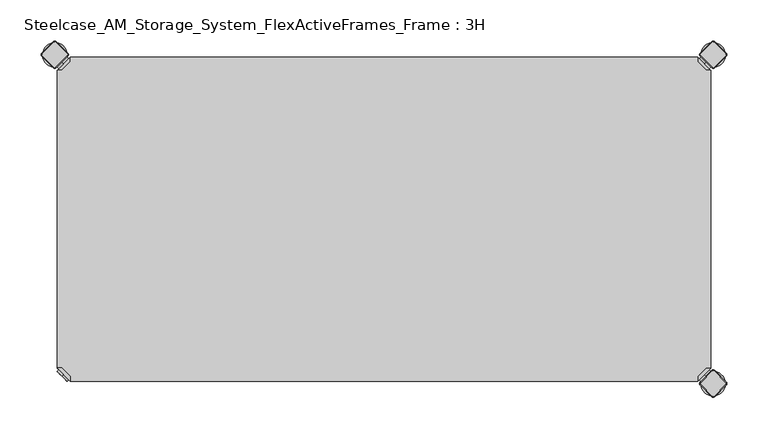
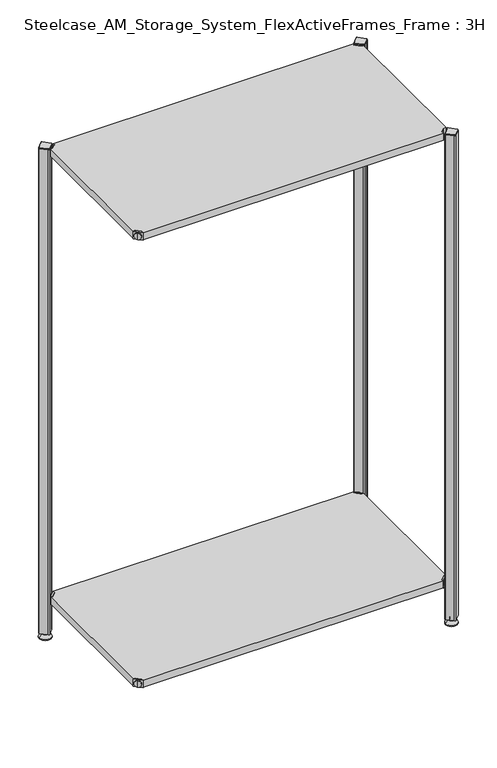
"""IFC4 building model written with IfcOpenShell, lengths in millimetres: furniture geometry, Steelcase_AM_Storage_System_FlexActiveFrames_Frame : 3H."""

from ifc_helpers import new_model, si_unit, point, frame, frame_2d, origin, place, context, project, spatial, polyline, circle_curve, trimmed, segment, composite_curve, outline, extrude, source, transform, mapped, element, save
from ifc_brep_helpers import plane_surface, cylinder_surface, revolved_surface, advanced_brep


def steelcase_am_storage_system_flexactiveframes_frame_3h_d4705bdc(model_context):
    return source(origin(), model_context, "Body", "SolidModel", [
        advanced_brep(
        [(10.9601551, 10.9601551, 1298.5), (10.9601551, 10.9601551, 1307.0), (10.9601551, 10.9601551, 1315.5), (8.8388348, 8.8388348, 1298.5), (8.8388348, 8.8388348, 1315.5), (8.8388348, 8.8388348, 1307.0)],
        [
            (0, 1),
            (1, 2),
            (2, 0, circle_curve(frame((10.9601551, 10.9601551, 1307.0), z_axis=(0.7071067811865464, 0.7071067811865487, 0.0), x_axis=(0.0, 0.0, 1.0)), 8.5)),
            (0, 2, circle_curve(frame((10.9601551, 10.9601551, 1307.0), z_axis=(0.7071067811865464, 0.7071067811865487, 0.0), x_axis=(0.0, 0.0, 1.0)), 8.5)),
            (3, 0),
            (2, 4),
            (4, 3, circle_curve(frame((8.8388348, 8.8388348, 1307.0), z_axis=(0.7071067811865464, 0.7071067811865487, 0.0), x_axis=(0.0, 0.0, 1.0)), 8.5)),
            (3, 4, circle_curve(frame((8.8388348, 8.8388348, 1307.0), z_axis=(0.7071067811865464, 0.7071067811865487, 0.0), x_axis=(0.0, 0.0, 1.0)), 8.5)),
            (5, 3),
            (4, 5),
        ],
        [
            plane_surface(frame((10.9601551, 10.9601551, 1307.0), z_axis=(0.707106781186546, 0.7071067811865491, 0.0), x_axis=(0.0, 0.0, 1.0))),
            cylinder_surface(frame((8.8388348, 8.8388348, 1307.0), z_axis=(-0.7071067811865464, -0.7071067811865487, 0.0), x_axis=(0.0, 0.0, 1.0)), 8.5),
            plane_surface(frame((8.8388348, 8.8388348, 1307.0), z_axis=(-0.707106781186546, -0.7071067811865491, 0.0), x_axis=(0.0, 0.0, 1.0))),
        ],
        [
            (0, [[1, 2, 3]]),
            (0, [[-2, -1, 4]]),
            (1, [[5, -3, 6, 7]]),
            (1, [[-6, -4, -5, 8]]),
            (2, [[9, -7, 10]]),
            (2, [[-10, -8, -9]]),
        ],
    ),
        advanced_brep(
        [(18.9203102, 3.0, 1317.0), (18.9203102, 8.6568542, 1317.0), (8.6568542, 18.9203102, 1317.0), (3.0, 18.9203102, 1317.0), (3.0, 18.9203102, 1298.0), (3.0, 18.9203102, 1297.0), (18.9203102, 3.0, 1297.0), (18.9203102, 3.0, 1298.0), (18.9203102, 8.6568542, 1298.0), (8.6568542, 18.9203102, 1298.0), (47.7297077, 31.8093975, 1298.0), (31.8093975, 47.7297077, 1298.0), (31.8093975, 47.7297077, 1297.0), (47.7297077, 31.8093975, 1297.0)],
        [
            (0, 1),
            (1, 2),
            (2, 3),
            (3, 0),
            (3, 4),
            (4, 5),
            (5, 6),
            (6, 7),
            (7, 0),
            (1, 8),
            (8, 9),
            (9, 2),
            (7, 8),
            (9, 4),
            (7, 10),
            (10, 11, circle_curve(frame((39.7695526, 39.7695526, 1298.0), z_axis=(0.0, 0.0, 1.0), x_axis=(1.0, 0.0, 0.0)), 11.2573593)),
            (11, 4),
            (5, 12),
            (12, 13, circle_curve(frame((39.7695526, 39.7695526, 1297.0), z_axis=(0.0, 0.0, -1.0), x_axis=(1.0, 0.0, 0.0)), 11.2573593)),
            (13, 6),
            (11, 12),
            (10, 13),
        ],
        [
            plane_surface(frame((-38.8756299, 60.7959401, 1317.0), z_axis=(0.0, 0.0, 1.0000000000000002), x_axis=(-0.7071067811865557, 0.7071067811865395, 0.0))),
            plane_surface(frame((18.9203102, 3.0, 1317.0), z_axis=(-0.7071067811865395, -0.7071067811865557, 0.0), x_axis=(0.0, 0.0, -1.0))),
            plane_surface(frame((8.6568542, 18.9203102, 1317.0), z_axis=(0.7071067811865481, 0.7071067811865469, 0.0), x_axis=(0.0, 0.0, -1.0))),
            plane_surface(frame((18.9203102, 8.6568542, 1317.0), z_axis=(1.0, 0.0, 0.0), x_axis=(0.0, 0.0, -1.0))),
            plane_surface(frame((3.0, 18.9203102, 1317.0), z_axis=(0.0, 1.0, 0.0), x_axis=(0.0, 0.0, -1.0))),
            plane_surface(frame((3.0, 18.9203102, 1298.0), z_axis=(0.0, 0.0, 1.0), x_axis=(-0.7071067811865485, 0.7071067811865466, 0.0))),
            plane_surface(frame((3.0, 18.9203102, 1297.0), z_axis=(0.0, 0.0, -1.0), x_axis=(0.7071067811865485, -0.7071067811865466, 0.0))),
            plane_surface(frame((3.0, 18.9203102, 1298.0), z_axis=(-0.7071067811865491, 0.707106781186546, 0.0), x_axis=(0.0, 0.0, -1.0))),
            cylinder_surface(frame((39.7695526, 39.7695526, 1297.0), z_axis=(0.0, 0.0, 1.0), x_axis=(1.0, 0.0, 0.0)), 11.2573593),
            plane_surface(frame((47.7297077, 31.8093975, 1298.0), z_axis=(0.707106781186548, -0.7071067811865471, 0.0), x_axis=(0.0, 0.0, -1.0))),
        ],
        [
            (0, [[1, 2, 3, 4]]),
            (1, [[5, 6, 7, 8, 9, -4]]),
            (2, [[10, 11, 12, -2]]),
            (3, [[-9, 13, -10, -1]]),
            (4, [[-12, 14, -5, -3]]),
            (5, [[-14, -11, -13, 15, 16, 17]]),
            (6, [[-7, 18, 19, 20]]),
            (7, [[21, -18, -6, -17]]),
            (8, [[22, -19, -21, -16]]),
            (9, [[-8, -20, -22, -15]]),
        ],
    ),
        extrude(outline(polyline([(781.0796898, 3.0), (18.9203102, 3.0), (18.9203102, 8.6568542), (8.6568542, 18.9203102), (3.0, 18.9203102), (3.0, 381.0796898), (8.6568542, 381.0796898), (18.9203102, 391.3431458), (18.9203102, 397.0), (781.0796898, 397.0), (781.0796898, 391.3431458), (791.3431458, 381.0796898), (797.0, 381.0796898), (797.0, 18.9203102), (791.3431458, 18.9203102), (781.0796898, 8.6568542), (781.0796898, 3.0)])), frame((0.0, 0.0, 1298.0), z_axis=(0.0, 0.0, 1.0), x_axis=(1.0, 0.0, 0.0)), (0.0, 0.0, 1.0), 19.0),
        advanced_brep(
        [(789.0398449, 10.9601551, 98.5), (789.0398449, 10.9601551, 115.5), (789.0398449, 10.9601551, 107.0), (791.1611652, 8.8388348, 98.5), (791.1611652, 8.8388348, 115.5), (791.1611652, 8.8388348, 107.0)],
        [
            (0, 1, circle_curve(frame((789.0398449, 10.9601551, 107.0), z_axis=(-0.7071067811865556, 0.7071067811865395, 0.0), x_axis=(0.0, 0.0, 1.0)), 8.5)),
            (1, 2),
            (2, 0),
            (1, 0, circle_curve(frame((789.0398449, 10.9601551, 107.0), z_axis=(-0.7071067811865556, 0.7071067811865395, 0.0), x_axis=(0.0, 0.0, 1.0)), 8.5)),
            (3, 4, circle_curve(frame((791.1611652, 8.8388348, 107.0), z_axis=(-0.7071067811865556, 0.7071067811865395, 0.0), x_axis=(0.0, 0.0, 1.0)), 8.5)),
            (4, 1),
            (0, 3),
            (4, 3, circle_curve(frame((791.1611652, 8.8388348, 107.0), z_axis=(-0.7071067811865556, 0.7071067811865395, 0.0), x_axis=(0.0, 0.0, 1.0)), 8.5)),
            (5, 4),
            (3, 5),
        ],
        [
            plane_surface(frame((789.0398449, 10.9601551, 107.0), z_axis=(-0.7071067811865552, 0.7071067811865399, 0.0), x_axis=(0.0, 0.0, 1.0))),
            cylinder_surface(frame((791.1611652, 8.8388348, 107.0), z_axis=(0.7071067811865556, -0.7071067811865395, 0.0), x_axis=(0.0, 0.0, 1.0)), 8.5),
            plane_surface(frame((791.1611652, 8.8388348, 107.0), z_axis=(0.7071067811865552, -0.7071067811865399, 0.0), x_axis=(0.0, 0.0, 1.0))),
        ],
        [
            (0, [[1, 2, 3]]),
            (0, [[4, -3, -2]]),
            (1, [[5, 6, -1, 7]]),
            (1, [[8, -7, -4, -6]]),
            (2, [[9, -5, 10]]),
            (2, [[-10, -8, -9]]),
        ],
    ),
        advanced_brep(
        [(781.0796898, 3.0, 117.0), (797.0, 18.9203102, 117.0), (791.3431458, 18.9203102, 117.0), (781.0796898, 8.6568542, 117.0), (781.0796898, 3.0, 98.0), (781.0796898, 3.0, 97.0), (797.0, 18.9203102, 97.0), (797.0, 18.9203102, 98.0), (791.3431458, 18.9203102, 98.0), (781.0796898, 8.6568542, 98.0), (768.1906025, 47.7297077, 98.0), (752.2702923, 31.8093975, 98.0), (752.2702923, 31.8093975, 97.0), (768.1906025, 47.7297077, 97.0)],
        [
            (0, 1),
            (1, 2),
            (2, 3),
            (3, 0),
            (0, 4),
            (4, 5),
            (5, 6),
            (6, 7),
            (7, 1),
            (2, 8),
            (8, 9),
            (9, 3),
            (9, 4),
            (7, 8),
            (7, 10),
            (10, 11, circle_curve(frame((760.2304474, 39.7695526, 98.0), z_axis=(0.0, 0.0, 1.0), x_axis=(-1.0, 0.0, 0.0)), 11.2573593)),
            (11, 4),
            (5, 12),
            (12, 13, circle_curve(frame((760.2304474, 39.7695526, 97.0), z_axis=(0.0, 0.0, -1.0), x_axis=(-1.0, 0.0, 0.0)), 11.2573593)),
            (13, 6),
            (13, 10),
            (12, 11),
        ],
        [
            plane_surface(frame((838.8756299, 60.7959401, 117.0), z_axis=(0.0, 0.0, 1.0000000000000002), x_axis=(0.7071067811865465, 0.7071067811865487, 0.0))),
            plane_surface(frame((781.0796898, 3.0, 117.0), z_axis=(0.7071067811865487, -0.7071067811865465, 0.0), x_axis=(0.0, 0.0, -1.0))),
            plane_surface(frame((791.3431458, 18.9203102, 117.0), z_axis=(-0.7071067811865573, 0.7071067811865377, 0.0), x_axis=(0.0, 0.0, -1.0))),
            plane_surface(frame((781.0796898, 8.6568542, 117.0), z_axis=(-1.0, 0.0, 0.0), x_axis=(0.0, 0.0, -1.0))),
            plane_surface(frame((797.0, 18.9203102, 117.0), z_axis=(0.0, 1.0, 0.0), x_axis=(0.0, 0.0, -1.0))),
            plane_surface(frame((797.0, 18.9203102, 98.0), z_axis=(0.0, 0.0, 1.0), x_axis=(0.7071067811865392, 0.7071067811865558, 0.0))),
            plane_surface(frame((797.0, 18.9203102, 97.0), z_axis=(0.0, 0.0, -1.0), x_axis=(-0.7071067811865392, -0.7071067811865558, 0.0))),
            plane_surface(frame((797.0, 18.9203102, 98.0), z_axis=(0.7071067811865399, 0.7071067811865552, 0.0), x_axis=(0.0, 0.0, -1.0))),
            cylinder_surface(frame((760.2304474, 39.7695526, 97.0), z_axis=(0.0, 0.0, 1.0), x_axis=(-1.0, 0.0, 0.0)), 11.2573593),
            plane_surface(frame((752.2702923, 31.8093975, 98.0), z_axis=(-0.7071067811865388, -0.7071067811865563, 0.0), x_axis=(0.0, 0.0, -1.0))),
        ],
        [
            (0, [[1, 2, 3, 4]]),
            (1, [[-1, 5, 6, 7, 8, 9]]),
            (2, [[-3, 10, 11, 12]]),
            (3, [[-4, -12, 13, -5]]),
            (4, [[-2, -9, 14, -10]]),
            (5, [[15, 16, 17, -13, -11, -14]]),
            (6, [[18, 19, 20, -7]]),
            (7, [[-15, -8, -20, 21]]),
            (8, [[-16, -21, -19, 22]]),
            (9, [[-17, -22, -18, -6]]),
        ],
    ),
        advanced_brep(
        [(789.0398449, 389.0398449, 98.5), (789.0398449, 389.0398449, 107.0), (789.0398449, 389.0398449, 115.5), (791.1611652, 391.1611652, 98.5), (791.1611652, 391.1611652, 115.5), (791.1611652, 391.1611652, 107.0)],
        [
            (0, 1),
            (1, 2),
            (2, 0, circle_curve(frame((789.0398449, 389.0398449, 107.0), z_axis=(-0.7071067811865509, -0.7071067811865441, 0.0), x_axis=(0.0, 0.0, 1.0)), 8.5)),
            (0, 2, circle_curve(frame((789.0398449, 389.0398449, 107.0), z_axis=(-0.7071067811865509, -0.7071067811865441, 0.0), x_axis=(0.0, 0.0, 1.0)), 8.5)),
            (3, 0),
            (2, 4),
            (4, 3, circle_curve(frame((791.1611652, 391.1611652, 107.0), z_axis=(-0.7071067811865509, -0.7071067811865441, 0.0), x_axis=(0.0, 0.0, 1.0)), 8.5)),
            (3, 4, circle_curve(frame((791.1611652, 391.1611652, 107.0), z_axis=(-0.7071067811865509, -0.7071067811865441, 0.0), x_axis=(0.0, 0.0, 1.0)), 8.5)),
            (5, 3),
            (4, 5),
        ],
        [
            plane_surface(frame((789.0398449, 389.0398449, 107.0), z_axis=(-0.7071067811865506, -0.7071067811865446, 0.0), x_axis=(0.0, 0.0, 1.0))),
            cylinder_surface(frame((791.1611652, 391.1611652, 107.0), z_axis=(0.7071067811865509, 0.7071067811865441, 0.0), x_axis=(0.0, 0.0, 1.0)), 8.5),
            plane_surface(frame((791.1611652, 391.1611652, 107.0), z_axis=(0.7071067811865506, 0.7071067811865446, 0.0), x_axis=(0.0, 0.0, 1.0))),
        ],
        [
            (0, [[1, 2, 3]]),
            (0, [[-2, -1, 4]]),
            (1, [[5, -3, 6, 7]]),
            (1, [[-6, -4, -5, 8]]),
            (2, [[9, -7, 10]]),
            (2, [[-10, -8, -9]]),
        ],
    ),
        advanced_brep(
        [(781.0796898, 397.0, 117.0), (781.0796898, 391.3431458, 117.0), (791.3431458, 381.0796898, 117.0), (797.0, 381.0796898, 117.0), (797.0, 381.0796898, 98.0), (797.0, 381.0796898, 97.0), (781.0796898, 397.0, 97.0), (781.0796898, 397.0, 98.0), (781.0796898, 391.3431458, 98.0), (791.3431458, 381.0796898, 98.0), (752.2702923, 368.1906025, 98.0), (768.1906025, 352.2702923, 98.0), (768.1906025, 352.2702923, 97.0), (752.2702923, 368.1906025, 97.0)],
        [
            (0, 1),
            (1, 2),
            (2, 3),
            (3, 0),
            (3, 4),
            (4, 5),
            (5, 6),
            (6, 7),
            (7, 0),
            (1, 8),
            (8, 9),
            (9, 2),
            (7, 8),
            (9, 4),
            (7, 10),
            (10, 11, circle_curve(frame((760.2304474, 360.2304474, 98.0), z_axis=(0.0, 0.0, 1.0), x_axis=(-1.0, 0.0, 0.0)), 11.2573593)),
            (11, 4),
            (5, 12),
            (12, 13, circle_curve(frame((760.2304474, 360.2304474, 97.0), z_axis=(0.0, 0.0, -1.0), x_axis=(-1.0, 0.0, 0.0)), 11.2573593)),
            (13, 6),
            (11, 12),
            (10, 13),
        ],
        [
            plane_surface(frame((838.8756299, 339.2040599, 117.0), z_axis=(0.0, 0.0, 1.0000000000000002), x_axis=(0.7071067811865511, -0.707106781186544, 0.0))),
            plane_surface(frame((781.0796898, 397.0, 117.0), z_axis=(0.707106781186544, 0.7071067811865511, 0.0), x_axis=(0.0, 0.0, -1.0))),
            plane_surface(frame((791.3431458, 381.0796898, 117.0), z_axis=(-0.7071067811865527, -0.7071067811865424, 0.0), x_axis=(0.0, 0.0, -1.0))),
            plane_surface(frame((781.0796898, 391.3431458, 117.0), z_axis=(-1.0, 0.0, 0.0), x_axis=(0.0, 0.0, -1.0))),
            plane_surface(frame((797.0, 381.0796898, 117.0), z_axis=(0.0, -1.0, 0.0), x_axis=(0.0, 0.0, -1.0))),
            plane_surface(frame((797.0, 381.0796898, 98.0), z_axis=(0.0, 0.0, 1.0), x_axis=(0.7071067811865439, -0.7071067811865511, 0.0))),
            plane_surface(frame((797.0, 381.0796898, 97.0), z_axis=(0.0, 0.0, -1.0), x_axis=(-0.7071067811865439, 0.7071067811865511, 0.0))),
            plane_surface(frame((797.0, 381.0796898, 98.0), z_axis=(0.7071067811865446, -0.7071067811865506, 0.0), x_axis=(0.0, 0.0, -1.0))),
            cylinder_surface(frame((760.2304474, 360.2304474, 97.0), z_axis=(0.0, 0.0, 1.0), x_axis=(-1.0, 0.0, 0.0)), 11.2573593),
            plane_surface(frame((752.2702923, 368.1906025, 98.0), z_axis=(-0.7071067811865435, 0.7071067811865517, 0.0), x_axis=(0.0, 0.0, -1.0))),
        ],
        [
            (0, [[1, 2, 3, 4]]),
            (1, [[5, 6, 7, 8, 9, -4]]),
            (2, [[10, 11, 12, -2]]),
            (3, [[-9, 13, -10, -1]]),
            (4, [[-12, 14, -5, -3]]),
            (5, [[-14, -11, -13, 15, 16, 17]]),
            (6, [[-7, 18, 19, 20]]),
            (7, [[21, -18, -6, -17]]),
            (8, [[22, -19, -21, -16]]),
            (9, [[-8, -20, -22, -15]]),
        ],
    ),
        advanced_brep(
        [(10.9601551, 389.0398449, 98.5), (10.9601551, 389.0398449, 115.5), (10.9601551, 389.0398449, 107.0), (8.8388348, 391.1611652, 98.5), (8.8388348, 391.1611652, 115.5), (8.8388348, 391.1611652, 107.0)],
        [
            (0, 1, circle_curve(frame((10.9601551, 389.0398449, 107.0), z_axis=(0.7071067811865509, -0.7071067811865441, 0.0), x_axis=(0.0, 0.0, 1.0)), 8.5)),
            (1, 2),
            (2, 0),
            (1, 0, circle_curve(frame((10.9601551, 389.0398449, 107.0), z_axis=(0.7071067811865509, -0.7071067811865441, 0.0), x_axis=(0.0, 0.0, 1.0)), 8.5)),
            (3, 4, circle_curve(frame((8.8388348, 391.1611652, 107.0), z_axis=(0.7071067811865509, -0.7071067811865441, 0.0), x_axis=(0.0, 0.0, 1.0)), 8.5)),
            (4, 1),
            (0, 3),
            (4, 3, circle_curve(frame((8.8388348, 391.1611652, 107.0), z_axis=(0.7071067811865509, -0.7071067811865441, 0.0), x_axis=(0.0, 0.0, 1.0)), 8.5)),
            (5, 4),
            (3, 5),
        ],
        [
            plane_surface(frame((10.9601551, 389.0398449, 107.0), z_axis=(0.7071067811865506, -0.7071067811865446, 0.0), x_axis=(0.0, 0.0, 1.0))),
            cylinder_surface(frame((8.8388348, 391.1611652, 107.0), z_axis=(-0.7071067811865509, 0.7071067811865441, 0.0), x_axis=(0.0, 0.0, 1.0)), 8.5),
            plane_surface(frame((8.8388348, 391.1611652, 107.0), z_axis=(-0.7071067811865506, 0.7071067811865446, 0.0), x_axis=(0.0, 0.0, 1.0))),
        ],
        [
            (0, [[1, 2, 3]]),
            (0, [[4, -3, -2]]),
            (1, [[5, 6, -1, 7]]),
            (1, [[8, -7, -4, -6]]),
            (2, [[9, -5, 10]]),
            (2, [[-10, -8, -9]]),
        ],
    ),
        advanced_brep(
        [(18.9203102, 397.0, 117.0), (3.0, 381.0796898, 117.0), (8.6568542, 381.0796898, 117.0), (18.9203102, 391.3431458, 117.0), (18.9203102, 397.0, 98.0), (18.9203102, 397.0, 97.0), (3.0, 381.0796898, 97.0), (3.0, 381.0796898, 98.0), (8.6568542, 381.0796898, 98.0), (18.9203102, 391.3431458, 98.0), (31.8093975, 352.2702923, 98.0), (47.7297077, 368.1906025, 98.0), (47.7297077, 368.1906025, 97.0), (31.8093975, 352.2702923, 97.0)],
        [
            (0, 1),
            (1, 2),
            (2, 3),
            (3, 0),
            (0, 4),
            (4, 5),
            (5, 6),
            (6, 7),
            (7, 1),
            (2, 8),
            (8, 9),
            (9, 3),
            (9, 4),
            (7, 8),
            (7, 10),
            (10, 11, circle_curve(frame((39.7695526, 360.2304474, 98.0), z_axis=(0.0, 0.0, 1.0), x_axis=(1.0, 0.0, 0.0)), 11.2573593)),
            (11, 4),
            (5, 12),
            (12, 13, circle_curve(frame((39.7695526, 360.2304474, 97.0), z_axis=(0.0, 0.0, -1.0), x_axis=(1.0, 0.0, 0.0)), 11.2573593)),
            (13, 6),
            (13, 10),
            (12, 11),
        ],
        [
            plane_surface(frame((-38.8756299, 339.2040599, 117.0), z_axis=(0.0, 0.0, 1.0000000000000002), x_axis=(-0.7071067811865511, -0.707106781186544, 0.0))),
            plane_surface(frame((18.9203102, 397.0, 117.0), z_axis=(-0.707106781186544, 0.7071067811865511, 0.0), x_axis=(0.0, 0.0, -1.0))),
            plane_surface(frame((8.6568542, 381.0796898, 117.0), z_axis=(0.7071067811865527, -0.7071067811865424, 0.0), x_axis=(0.0, 0.0, -1.0))),
            plane_surface(frame((18.9203102, 391.3431458, 117.0), z_axis=(1.0, 0.0, 0.0), x_axis=(0.0, 0.0, -1.0))),
            plane_surface(frame((3.0, 381.0796898, 117.0), z_axis=(0.0, -1.0, 0.0), x_axis=(0.0, 0.0, -1.0))),
            plane_surface(frame((3.0, 381.0796898, 98.0), z_axis=(0.0, 0.0, 1.0), x_axis=(-0.7071067811865439, -0.7071067811865511, 0.0))),
            plane_surface(frame((3.0, 381.0796898, 97.0), z_axis=(0.0, 0.0, -1.0), x_axis=(0.7071067811865439, 0.7071067811865511, 0.0))),
            plane_surface(frame((3.0, 381.0796898, 98.0), z_axis=(-0.7071067811865446, -0.7071067811865506, 0.0), x_axis=(0.0, 0.0, -1.0))),
            cylinder_surface(frame((39.7695526, 360.2304474, 97.0), z_axis=(0.0, 0.0, 1.0), x_axis=(1.0, 0.0, 0.0)), 11.2573593),
            plane_surface(frame((47.7297077, 368.1906025, 98.0), z_axis=(0.7071067811865435, 0.7071067811865517, 0.0), x_axis=(0.0, 0.0, -1.0))),
        ],
        [
            (0, [[1, 2, 3, 4]]),
            (1, [[-1, 5, 6, 7, 8, 9]]),
            (2, [[-3, 10, 11, 12]]),
            (3, [[-4, -12, 13, -5]]),
            (4, [[-2, -9, 14, -10]]),
            (5, [[15, 16, 17, -13, -11, -14]]),
            (6, [[18, 19, 20, -7]]),
            (7, [[-15, -8, -20, 21]]),
            (8, [[-16, -21, -19, 22]]),
            (9, [[-17, -22, -18, -6]]),
        ],
    ),
        advanced_brep(
        [(10.9601551, 10.9601551, 98.5), (10.9601551, 10.9601551, 107.0), (10.9601551, 10.9601551, 115.5), (8.8388348, 8.8388348, 98.5), (8.8388348, 8.8388348, 115.5), (8.8388348, 8.8388348, 107.0)],
        [
            (0, 1),
            (1, 2),
            (2, 0, circle_curve(frame((10.9601551, 10.9601551, 107.0), z_axis=(0.7071067811865464, 0.7071067811865487, 0.0), x_axis=(0.0, 0.0, 1.0)), 8.5)),
            (0, 2, circle_curve(frame((10.9601551, 10.9601551, 107.0), z_axis=(0.7071067811865464, 0.7071067811865487, 0.0), x_axis=(0.0, 0.0, 1.0)), 8.5)),
            (3, 0),
            (2, 4),
            (4, 3, circle_curve(frame((8.8388348, 8.8388348, 107.0), z_axis=(0.7071067811865464, 0.7071067811865487, 0.0), x_axis=(0.0, 0.0, 1.0)), 8.5)),
            (3, 4, circle_curve(frame((8.8388348, 8.8388348, 107.0), z_axis=(0.7071067811865464, 0.7071067811865487, 0.0), x_axis=(0.0, 0.0, 1.0)), 8.5)),
            (5, 3),
            (4, 5),
        ],
        [
            plane_surface(frame((10.9601551, 10.9601551, 107.0), z_axis=(0.707106781186546, 0.7071067811865491, 0.0), x_axis=(0.0, 0.0, 1.0))),
            cylinder_surface(frame((8.8388348, 8.8388348, 107.0), z_axis=(-0.7071067811865464, -0.7071067811865487, 0.0), x_axis=(0.0, 0.0, 1.0)), 8.5),
            plane_surface(frame((8.8388348, 8.8388348, 107.0), z_axis=(-0.707106781186546, -0.7071067811865491, 0.0), x_axis=(0.0, 0.0, 1.0))),
        ],
        [
            (0, [[1, 2, 3]]),
            (0, [[-2, -1, 4]]),
            (1, [[5, -3, 6, 7]]),
            (1, [[-6, -4, -5, 8]]),
            (2, [[9, -7, 10]]),
            (2, [[-10, -8, -9]]),
        ],
    ),
        advanced_brep(
        [(18.9203102, 3.0, 117.0), (18.9203102, 8.6568542, 117.0), (8.6568542, 18.9203102, 117.0), (3.0, 18.9203102, 117.0), (3.0, 18.9203102, 98.0), (3.0, 18.9203102, 97.0), (18.9203102, 3.0, 97.0), (18.9203102, 3.0, 98.0), (18.9203102, 8.6568542, 98.0), (8.6568542, 18.9203102, 98.0), (47.7297077, 31.8093975, 98.0), (31.8093975, 47.7297077, 98.0), (31.8093975, 47.7297077, 97.0), (47.7297077, 31.8093975, 97.0)],
        [
            (0, 1),
            (1, 2),
            (2, 3),
            (3, 0),
            (3, 4),
            (4, 5),
            (5, 6),
            (6, 7),
            (7, 0),
            (1, 8),
            (8, 9),
            (9, 2),
            (7, 8),
            (9, 4),
            (7, 10),
            (10, 11, circle_curve(frame((39.7695526, 39.7695526, 98.0), z_axis=(0.0, 0.0, 1.0), x_axis=(1.0, 0.0, 0.0)), 11.2573593)),
            (11, 4),
            (5, 12),
            (12, 13, circle_curve(frame((39.7695526, 39.7695526, 97.0), z_axis=(0.0, 0.0, -1.0), x_axis=(1.0, 0.0, 0.0)), 11.2573593)),
            (13, 6),
            (11, 12),
            (10, 13),
        ],
        [
            plane_surface(frame((-38.8756299, 60.7959401, 117.0), z_axis=(0.0, 0.0, 1.0000000000000002), x_axis=(-0.7071067811865557, 0.7071067811865395, 0.0))),
            plane_surface(frame((18.9203102, 3.0, 117.0), z_axis=(-0.7071067811865395, -0.7071067811865557, 0.0), x_axis=(0.0, 0.0, -1.0))),
            plane_surface(frame((8.6568542, 18.9203102, 117.0), z_axis=(0.7071067811865481, 0.7071067811865469, 0.0), x_axis=(0.0, 0.0, -1.0))),
            plane_surface(frame((18.9203102, 8.6568542, 117.0), z_axis=(1.0, 0.0, 0.0), x_axis=(0.0, 0.0, -1.0))),
            plane_surface(frame((3.0, 18.9203102, 117.0), z_axis=(0.0, 1.0, 0.0), x_axis=(0.0, 0.0, -1.0))),
            plane_surface(frame((3.0, 18.9203102, 98.0), z_axis=(0.0, 0.0, 1.0), x_axis=(-0.7071067811865485, 0.7071067811865466, 0.0))),
            plane_surface(frame((3.0, 18.9203102, 97.0), z_axis=(0.0, 0.0, -1.0), x_axis=(0.7071067811865485, -0.7071067811865466, 0.0))),
            plane_surface(frame((3.0, 18.9203102, 98.0), z_axis=(-0.7071067811865491, 0.707106781186546, 0.0), x_axis=(0.0, 0.0, -1.0))),
            cylinder_surface(frame((39.7695526, 39.7695526, 97.0), z_axis=(0.0, 0.0, 1.0), x_axis=(1.0, 0.0, 0.0)), 11.2573593),
            plane_surface(frame((47.7297077, 31.8093975, 98.0), z_axis=(0.707106781186548, -0.7071067811865471, 0.0), x_axis=(0.0, 0.0, -1.0))),
        ],
        [
            (0, [[1, 2, 3, 4]]),
            (1, [[5, 6, 7, 8, 9, -4]]),
            (2, [[10, 11, 12, -2]]),
            (3, [[-9, 13, -10, -1]]),
            (4, [[-12, 14, -5, -3]]),
            (5, [[-14, -11, -13, 15, 16, 17]]),
            (6, [[-7, 18, 19, 20]]),
            (7, [[21, -18, -6, -17]]),
            (8, [[22, -19, -21, -16]]),
            (9, [[-8, -20, -22, -15]]),
        ],
    ),
        extrude(outline(polyline([(781.0796898, 3.0), (18.9203102, 3.0), (18.9203102, 8.6568542), (8.6568542, 18.9203102), (3.0, 18.9203102), (3.0, 381.0796898), (8.6568542, 381.0796898), (18.9203102, 391.3431458), (18.9203102, 397.0), (781.0796898, 397.0), (781.0796898, 391.3431458), (791.3431458, 381.0796898), (797.0, 381.0796898), (797.0, 18.9203102), (791.3431458, 18.9203102), (781.0796898, 8.6568542), (781.0796898, 3.0)])), frame((0.0, 0.0, 98.0), z_axis=(0.0, 0.0, 1.0), x_axis=(1.0, 0.0, 0.0)), (0.0, 0.0, 1.0), 19.0),
        advanced_brep(
        [(785.0, 400.0, 0.0), (800.0, 400.0, 0.0), (815.0, 400.0, 0.0), (785.0, 400.0, 2.0), (815.0, 400.0, 2.0), (792.0, 400.0, 9.0), (808.0, 400.0, 9.0), (796.0, 400.0, 9.0), (804.0, 400.0, 9.0), (796.0, 400.0, 15.0), (804.0, 400.0, 15.0), (800.0, 400.0, 15.0)],
        [
            (0, 1),
            (1, 2),
            (2, 0, circle_curve(frame((800.0, 400.0, 0.0), z_axis=(0.0, 0.0, -1.0), x_axis=(1.0, 0.0, 0.0)), 15.0)),
            (0, 2, circle_curve(frame((800.0, 400.0, 0.0), z_axis=(0.0, 0.0, -1.0), x_axis=(1.0, 0.0, 0.0)), 15.0)),
            (3, 0),
            (2, 4),
            (4, 3, circle_curve(frame((800.0, 400.0, 2.0), z_axis=(0.0, 0.0, -1.0), x_axis=(1.0, 0.0, 0.0)), 15.0)),
            (3, 4, circle_curve(frame((800.0, 400.0, 2.0), z_axis=(0.0, 0.0, -1.0), x_axis=(1.0, 0.0, 0.0)), 15.0)),
            (5, 3),
            (4, 6),
            (6, 5, circle_curve(frame((800.0, 400.0, 9.0), z_axis=(0.0, 0.0, -1.0), x_axis=(1.0, 0.0, 0.0)), 8.0)),
            (5, 6, circle_curve(frame((800.0, 400.0, 9.0), z_axis=(0.0, 0.0, -1.0), x_axis=(1.0, 0.0, 0.0)), 8.0)),
            (7, 5),
            (6, 8),
            (8, 7, circle_curve(frame((800.0, 400.0, 9.0), z_axis=(0.0, 0.0, -1.0), x_axis=(1.0, 0.0, 0.0)), 4.0)),
            (7, 8, circle_curve(frame((800.0, 400.0, 9.0), z_axis=(0.0, 0.0, -1.0), x_axis=(1.0, 0.0, 0.0)), 4.0)),
            (9, 7),
            (8, 10),
            (10, 9, circle_curve(frame((800.0, 400.0, 15.0), z_axis=(0.0, 0.0, -1.0), x_axis=(1.0, 0.0, 0.0)), 4.0)),
            (9, 10, circle_curve(frame((800.0, 400.0, 15.0), z_axis=(0.0, 0.0, -1.0), x_axis=(1.0, 0.0, 0.0)), 4.0)),
            (11, 9),
            (10, 11),
        ],
        [
            plane_surface(frame((800.0, 400.0, 0.0), z_axis=(0.0, 0.0, -1.0), x_axis=(1.0, 0.0, 0.0))),
            cylinder_surface(frame((800.0, 400.0, 18.6083303), z_axis=(0.0, 0.0, 1.0), x_axis=(1.0, 0.0, 0.0)), 15.0),
            revolved_surface(polyline([(815.0, 400.0, 2.0), (808.0, 400.0, 9.0)]), (800.0, 400.0, 18.6083303), (0.0, 0.0, 1.0)),
            plane_surface(frame((800.0, 400.0, 9.0), z_axis=(0.0, 0.0, 1.0), x_axis=(1.0, 0.0, 0.0))),
            cylinder_surface(frame((800.0, 400.0, 18.6083303), z_axis=(0.0, 0.0, 1.0), x_axis=(1.0, 0.0, 0.0)), 4.0),
            plane_surface(frame((800.0, 400.0, 15.0), z_axis=(0.0, 0.0, 1.0), x_axis=(1.0, 0.0, 0.0))),
        ],
        [
            (0, [[1, 2, 3]]),
            (0, [[-2, -1, 4]]),
            (1, [[5, -3, 6, 7]]),
            (1, [[-6, -4, -5, 8]]),
            (2, [[9, -7, 10, 11]]),
            (2, [[-10, -8, -9, 12]]),
            (3, [[13, -11, 14, 15]]),
            (3, [[-14, -12, -13, 16]]),
            (4, [[17, -15, 18, 19]]),
            (4, [[-18, -16, -17, 20]]),
            (5, [[21, -19, 22]]),
            (5, [[-22, -20, -21]]),
        ],
    ),
        advanced_brep(
        [(798.7979185, 384.6557828, 1317.0), (801.2020815, 384.6557828, 1317.0), (815.3442172, 398.7979185, 1317.0), (815.3442172, 401.2020815, 1317.0), (801.2020815, 415.3442172, 1317.0), (798.7979185, 415.3442172, 1317.0), (784.6557828, 401.2020815, 1317.0), (784.6557828, 398.7979185, 1317.0), (798.232233, 384.0900974, 1315.0), (784.0900974, 398.232233, 1315.0), (784.0900974, 401.767767, 1315.0), (798.232233, 415.9099026, 1315.0), (801.767767, 415.9099026, 1315.0), (815.9099026, 401.767767, 1315.0), (815.9099026, 398.232233, 1315.0), (801.767767, 384.0900974, 1315.0)],
        [
            (0, 1, circle_curve(frame((800.0, 385.8578644, 1317.0), z_axis=(0.0, 0.0, 1.0), x_axis=(0.7071067811865458, -0.7071067811865492, 0.0)), 1.7)),
            (1, 2),
            (2, 3, circle_curve(frame((814.1421356, 400.0, 1317.0), z_axis=(0.0, 0.0, 1.0), x_axis=(0.707106781186539, 0.7071067811865559, 0.0)), 1.7)),
            (3, 4),
            (4, 5, circle_curve(frame((800.0, 414.1421356, 1317.0), z_axis=(0.0, 0.0, 1.0), x_axis=(-0.7071067811865491, 0.707106781186546, 0.0)), 1.7)),
            (5, 6),
            (6, 7, circle_curve(frame((785.8578644, 400.0, 1317.0), z_axis=(0.0, 0.0, 1.0), x_axis=(-0.7071067811865537, -0.7071067811865414, 0.0)), 1.7)),
            (7, 0),
            (8, 9),
            (9, 10, circle_curve(frame((785.8578644, 400.0, 1315.0), z_axis=(0.0, 0.0, -1.0), x_axis=(-0.7071067811865537, -0.7071067811865414, 0.0)), 2.5)),
            (10, 11),
            (11, 12, circle_curve(frame((800.0, 414.1421356, 1315.0), z_axis=(0.0, 0.0, -1.0), x_axis=(-0.7071067811865491, 0.707106781186546, 0.0)), 2.5)),
            (12, 13),
            (13, 14, circle_curve(frame((814.1421356, 400.0, 1315.0), z_axis=(0.0, 0.0, -1.0), x_axis=(0.707106781186539, 0.7071067811865559, 0.0)), 2.5)),
            (14, 15),
            (15, 8, circle_curve(frame((800.0, 385.8578644, 1315.0), z_axis=(0.0, 0.0, -1.0), x_axis=(0.7071067811865458, -0.7071067811865492, 0.0)), 2.5)),
            (8, 0),
            (7, 9),
            (6, 10),
            (5, 11),
            (4, 12),
            (3, 13),
            (2, 14),
            (1, 15),
        ],
        [
            plane_surface(frame((800.0, 400.0, 1317.0), z_axis=(0.0, 0.0, 1.0), x_axis=(-0.7071067811865486, -0.7071067811865466, 0.0))),
            plane_surface(frame((800.0, 400.0, 1315.0), z_axis=(0.0, 0.0, -1.0), x_axis=(-0.7071067811865486, -0.7071067811865466, 0.0))),
            plane_surface(frame((791.1611652, 391.1611652, 1315.0), z_axis=(-0.6565321642986406, -0.656532164298628, 0.3713906763540281), x_axis=(-0.7071067811865408, 0.7071067811865543, 0.0))),
            revolved_surface(polyline([(784.65578284, 398.79791844, 1317.0), (784.0900974, 398.232233, 1315.0)]), (785.8578644, 400.0, 1321.25), (0.0, 0.0, -1.0)),
            plane_surface(frame((791.1611652, 408.8388348, 1315.0), z_axis=(-0.6565321642986325, 0.6565321642986414, 0.3713906763540188), x_axis=(0.7071067811865523, 0.7071067811865428, 0.0))),
            revolved_surface(polyline([(798.79791844, 415.34421716, 1317.0), (798.232233, 415.9099026, 1315.0)]), (800.0, 414.1421356, 1321.25), (0.0, 0.0, -1.0)),
            plane_surface(frame((808.8388348, 408.8388348, 1315.0), z_axis=(0.6565321642986457, 0.6565321642986508, 0.3713906763539787), x_axis=(0.7071067811865541, -0.707106781186541, 0.0))),
            revolved_surface(polyline([(815.34421716, 401.20208156, 1317.0), (815.9099026, 401.767767, 1315.0)]), (814.1421356, 400.0, 1321.25), (0.0, 0.0, -1.0)),
            plane_surface(frame((808.8388348, 391.1611652, 1315.0), z_axis=(0.656532164298657, -0.6565321642986371, 0.37139067635398293), x_axis=(-0.7071067811865407, -0.7071067811865545, 0.0))),
            revolved_surface(polyline([(801.20208156, 384.65578284, 1317.0), (801.767767, 384.0900974, 1315.0)]), (800.0, 385.8578644, 1321.25), (0.0, 0.0, -1.0)),
        ],
        [
            (0, [[1, 2, 3, 4, 5, 6, 7, 8]]),
            (1, [[9, 10, 11, 12, 13, 14, 15, 16]]),
            (2, [[17, -8, 18, -9]]),
            (3, [[-18, -7, 19, -10]]),
            (4, [[-19, -6, 20, -11]]),
            (5, [[-20, -5, 21, -12]]),
            (6, [[-21, -4, 22, -13]]),
            (7, [[-22, -3, 23, -14]]),
            (8, [[-23, -2, 24, -15]]),
            (9, [[-24, -1, -17, -16]]),
        ],
    ),
        extrude(outline(composite_curve([segment(polyline([(815.9099026, 398.232233), (801.767767, 384.0900974)]), True, "CONTINUOUS"), segment(trimmed(circle_curve(frame_2d((800.0, 385.8578644)), 2.5), [point((801.767767, 384.0900974))], [point((798.232233, 384.0900974))], False, "CARTESIAN"), True, "CONTINUOUS"), segment(polyline([(798.232233, 384.0900974), (784.0900974, 398.232233)]), True, "CONTINUOUS"), segment(trimmed(circle_curve(frame_2d((785.8578644, 400.0)), 2.5), [point((784.0900974, 398.232233))], [point((784.0900974, 401.767767))], False, "CARTESIAN"), True, "CONTINUOUS"), segment(polyline([(784.0900974, 401.767767), (798.232233, 415.9099026)]), True, "CONTINUOUS"), segment(trimmed(circle_curve(frame_2d((800.0, 414.1421356)), 2.5), [point((798.232233, 415.9099026))], [point((801.767767, 415.9099026))], False, "CARTESIAN"), True, "CONTINUOUS"), segment(polyline([(801.767767, 415.9099026), (815.9099026, 401.767767)]), True, "CONTINUOUS"), segment(trimmed(circle_curve(frame_2d((814.1421356, 400.0)), 2.5), [point((815.9099026, 401.767767))], [point((815.9099026, 398.232233))], False, "CARTESIAN"), True, "CONTINUOUS")], self_intersect=False)), frame((0.0, 0.0, 15.0), z_axis=(0.0, 0.0, 1.0), x_axis=(1.0, 0.0, 0.0)), (0.0, 0.0, 1.0), 1300.0),
        advanced_brep(
        [(785.0, 0.0, 0.0), (800.0, 0.0, 0.0), (815.0, 0.0, 0.0), (785.0, 0.0, 2.0), (815.0, 0.0, 2.0), (792.0, 0.0, 9.0), (808.0, 0.0, 9.0), (796.0, 0.0, 9.0), (804.0, 0.0, 9.0), (796.0, 0.0, 15.0), (804.0, 0.0, 15.0), (800.0, 0.0, 15.0)],
        [
            (0, 1),
            (1, 2),
            (2, 0, circle_curve(frame((800.0, 0.0, 0.0), z_axis=(0.0, 0.0, -1.0), x_axis=(1.0, 0.0, 0.0)), 15.0)),
            (0, 2, circle_curve(frame((800.0, 0.0, 0.0), z_axis=(0.0, 0.0, -1.0), x_axis=(1.0, 0.0, 0.0)), 15.0)),
            (3, 0),
            (2, 4),
            (4, 3, circle_curve(frame((800.0, 0.0, 2.0), z_axis=(0.0, 0.0, -1.0), x_axis=(1.0, 0.0, 0.0)), 15.0)),
            (3, 4, circle_curve(frame((800.0, 0.0, 2.0), z_axis=(0.0, 0.0, -1.0), x_axis=(1.0, 0.0, 0.0)), 15.0)),
            (5, 3),
            (4, 6),
            (6, 5, circle_curve(frame((800.0, 0.0, 9.0), z_axis=(0.0, 0.0, -1.0), x_axis=(1.0, 0.0, 0.0)), 8.0)),
            (5, 6, circle_curve(frame((800.0, 0.0, 9.0), z_axis=(0.0, 0.0, -1.0), x_axis=(1.0, 0.0, 0.0)), 8.0)),
            (7, 5),
            (6, 8),
            (8, 7, circle_curve(frame((800.0, 0.0, 9.0), z_axis=(0.0, 0.0, -1.0), x_axis=(1.0, 0.0, 0.0)), 4.0)),
            (7, 8, circle_curve(frame((800.0, 0.0, 9.0), z_axis=(0.0, 0.0, -1.0), x_axis=(1.0, 0.0, 0.0)), 4.0)),
            (9, 7),
            (8, 10),
            (10, 9, circle_curve(frame((800.0, 0.0, 15.0), z_axis=(0.0, 0.0, -1.0), x_axis=(1.0, 0.0, 0.0)), 4.0)),
            (9, 10, circle_curve(frame((800.0, 0.0, 15.0), z_axis=(0.0, 0.0, -1.0), x_axis=(1.0, 0.0, 0.0)), 4.0)),
            (11, 9),
            (10, 11),
        ],
        [
            plane_surface(frame((800.0, 0.0, 0.0), z_axis=(0.0, 0.0, -1.0), x_axis=(1.0, 0.0, 0.0))),
            cylinder_surface(frame((800.0, 0.0, 18.6083303), z_axis=(0.0, 0.0, 1.0), x_axis=(1.0, 0.0, 0.0)), 15.0),
            revolved_surface(polyline([(815.0, 0.0, 2.0), (808.0, 0.0, 9.0)]), (800.0, 0.0, 18.6083303), (0.0, 0.0, 1.0)),
            plane_surface(frame((800.0, 0.0, 9.0), z_axis=(0.0, 0.0, 1.0), x_axis=(1.0, 0.0, 0.0))),
            cylinder_surface(frame((800.0, 0.0, 18.6083303), z_axis=(0.0, 0.0, 1.0), x_axis=(1.0, 0.0, 0.0)), 4.0),
            plane_surface(frame((800.0, 0.0, 15.0), z_axis=(0.0, 0.0, 1.0), x_axis=(1.0, 0.0, 0.0))),
        ],
        [
            (0, [[1, 2, 3]]),
            (0, [[-2, -1, 4]]),
            (1, [[5, -3, 6, 7]]),
            (1, [[-6, -4, -5, 8]]),
            (2, [[9, -7, 10, 11]]),
            (2, [[-10, -8, -9, 12]]),
            (3, [[13, -11, 14, 15]]),
            (3, [[-14, -12, -13, 16]]),
            (4, [[17, -15, 18, 19]]),
            (4, [[-18, -16, -17, 20]]),
            (5, [[21, -19, 22]]),
            (5, [[-22, -20, -21]]),
        ],
    ),
        advanced_brep(
        [(798.7979185, -15.3442172, 1317.0), (801.2020815, -15.3442172, 1317.0), (815.3442172, -1.2020815, 1317.0), (815.3442172, 1.2020815, 1317.0), (801.2020815, 15.3442172, 1317.0), (798.7979185, 15.3442172, 1317.0), (784.6557828, 1.2020815, 1317.0), (784.6557828, -1.2020815, 1317.0), (798.232233, -15.9099026, 1315.0), (784.0900974, -1.767767, 1315.0), (784.0900974, 1.767767, 1315.0), (798.232233, 15.9099026, 1315.0), (801.767767, 15.9099026, 1315.0), (815.9099026, 1.767767, 1315.0), (815.9099026, -1.767767, 1315.0), (801.767767, -15.9099026, 1315.0)],
        [
            (0, 1, circle_curve(frame((800.0, -14.1421356, 1317.0), z_axis=(0.0, 0.0, 1.0), x_axis=(0.7071067811865458, -0.7071067811865492, 0.0)), 1.7)),
            (1, 2),
            (2, 3, circle_curve(frame((814.1421356, 0.0, 1317.0), z_axis=(0.0, 0.0, 1.0), x_axis=(0.707106781186539, 0.7071067811865559, 0.0)), 1.7)),
            (3, 4),
            (4, 5, circle_curve(frame((800.0, 14.1421356, 1317.0), z_axis=(0.0, 0.0, 1.0), x_axis=(-0.7071067811865491, 0.707106781186546, 0.0)), 1.7)),
            (5, 6),
            (6, 7, circle_curve(frame((785.8578644, 0.0, 1317.0), z_axis=(0.0, 0.0, 1.0), x_axis=(-0.7071067811865537, -0.7071067811865414, 0.0)), 1.7)),
            (7, 0),
            (8, 9),
            (9, 10, circle_curve(frame((785.8578644, 0.0, 1315.0), z_axis=(0.0, 0.0, -1.0), x_axis=(-0.7071067811865537, -0.7071067811865414, 0.0)), 2.5)),
            (10, 11),
            (11, 12, circle_curve(frame((800.0, 14.1421356, 1315.0), z_axis=(0.0, 0.0, -1.0), x_axis=(-0.7071067811865491, 0.707106781186546, 0.0)), 2.5)),
            (12, 13),
            (13, 14, circle_curve(frame((814.1421356, 0.0, 1315.0), z_axis=(0.0, 0.0, -1.0), x_axis=(0.707106781186539, 0.7071067811865559, 0.0)), 2.5)),
            (14, 15),
            (15, 8, circle_curve(frame((800.0, -14.1421356, 1315.0), z_axis=(0.0, 0.0, -1.0), x_axis=(0.7071067811865458, -0.7071067811865492, 0.0)), 2.5)),
            (8, 0),
            (7, 9),
            (6, 10),
            (5, 11),
            (4, 12),
            (3, 13),
            (2, 14),
            (1, 15),
        ],
        [
            plane_surface(frame((800.0, 0.0, 1317.0), z_axis=(0.0, 0.0, 1.0), x_axis=(-0.7071067811865486, -0.7071067811865466, 0.0))),
            plane_surface(frame((800.0, 0.0, 1315.0), z_axis=(0.0, 0.0, -1.0), x_axis=(-0.7071067811865486, -0.7071067811865466, 0.0))),
            plane_surface(frame((791.1611652, -8.8388348, 1315.0), z_axis=(-0.6565321642986406, -0.656532164298628, 0.3713906763540281), x_axis=(-0.7071067811865408, 0.7071067811865543, 0.0))),
            revolved_surface(polyline([(784.65578284, -1.20208156, 1317.0), (784.0900974, -1.767767, 1315.0)]), (785.8578644, 0.0, 1321.25), (0.0, 0.0, -1.0)),
            plane_surface(frame((791.1611652, 8.8388348, 1315.0), z_axis=(-0.6565321642986325, 0.6565321642986414, 0.3713906763540188), x_axis=(0.7071067811865523, 0.7071067811865428, 0.0))),
            revolved_surface(polyline([(798.79791844, 15.34421716, 1317.0), (798.232233, 15.9099026, 1315.0)]), (800.0, 14.1421356, 1321.25), (0.0, 0.0, -1.0)),
            plane_surface(frame((808.8388348, 8.8388348, 1315.0), z_axis=(0.6565321642986457, 0.6565321642986508, 0.3713906763539787), x_axis=(0.7071067811865541, -0.707106781186541, 0.0))),
            revolved_surface(polyline([(815.34421716, 1.20208156, 1317.0), (815.9099026, 1.767767, 1315.0)]), (814.1421356, 0.0, 1321.25), (0.0, 0.0, -1.0)),
            plane_surface(frame((808.8388348, -8.8388348, 1315.0), z_axis=(0.656532164298657, -0.6565321642986371, 0.37139067635398293), x_axis=(-0.7071067811865407, -0.7071067811865545, 0.0))),
            revolved_surface(polyline([(801.20208156, -15.34421716, 1317.0), (801.767767, -15.9099026, 1315.0)]), (800.0, -14.1421356, 1321.25), (0.0, 0.0, -1.0)),
        ],
        [
            (0, [[1, 2, 3, 4, 5, 6, 7, 8]]),
            (1, [[9, 10, 11, 12, 13, 14, 15, 16]]),
            (2, [[17, -8, 18, -9]]),
            (3, [[-18, -7, 19, -10]]),
            (4, [[-19, -6, 20, -11]]),
            (5, [[-20, -5, 21, -12]]),
            (6, [[-21, -4, 22, -13]]),
            (7, [[-22, -3, 23, -14]]),
            (8, [[-23, -2, 24, -15]]),
            (9, [[-24, -1, -17, -16]]),
        ],
    ),
        extrude(outline(composite_curve([segment(polyline([(815.9099026, -1.767767), (801.767767, -15.9099026)]), True, "CONTINUOUS"), segment(trimmed(circle_curve(frame_2d((800.0, -14.1421356)), 2.5), [point((801.767767, -15.9099026))], [point((798.232233, -15.9099026))], False, "CARTESIAN"), True, "CONTINUOUS"), segment(polyline([(798.232233, -15.9099026), (784.0900974, -1.767767)]), True, "CONTINUOUS"), segment(trimmed(circle_curve(frame_2d((785.8578644, 0.0)), 2.5), [point((784.0900974, -1.767767))], [point((784.0900974, 1.767767))], False, "CARTESIAN"), True, "CONTINUOUS"), segment(polyline([(784.0900974, 1.767767), (798.232233, 15.9099026)]), True, "CONTINUOUS"), segment(trimmed(circle_curve(frame_2d((800.0, 14.1421356)), 2.5), [point((798.232233, 15.9099026))], [point((801.767767, 15.9099026))], False, "CARTESIAN"), True, "CONTINUOUS"), segment(polyline([(801.767767, 15.9099026), (815.9099026, 1.767767)]), True, "CONTINUOUS"), segment(trimmed(circle_curve(frame_2d((814.1421356, 0.0)), 2.5), [point((815.9099026, 1.767767))], [point((815.9099026, -1.767767))], False, "CARTESIAN"), True, "CONTINUOUS")], self_intersect=False)), frame((0.0, 0.0, 15.0), z_axis=(0.0, 0.0, 1.0), x_axis=(1.0, 0.0, 0.0)), (0.0, 0.0, 1.0), 1300.0),
        advanced_brep(
        [(-15.0, 400.0, 0.0), (0.0, 400.0, 0.0), (15.0, 400.0, 0.0), (-15.0, 400.0, 2.0), (15.0, 400.0, 2.0), (-8.0, 400.0, 9.0), (8.0, 400.0, 9.0), (-4.0, 400.0, 9.0), (4.0, 400.0, 9.0), (-4.0, 400.0, 15.0), (4.0, 400.0, 15.0), (0.0, 400.0, 15.0)],
        [
            (0, 1),
            (1, 2),
            (2, 0, circle_curve(frame((0.0, 400.0, 0.0), z_axis=(0.0, 0.0, -1.0), x_axis=(1.0, 0.0, 0.0)), 15.0)),
            (0, 2, circle_curve(frame((0.0, 400.0, 0.0), z_axis=(0.0, 0.0, -1.0), x_axis=(1.0, 0.0, 0.0)), 15.0)),
            (3, 0),
            (2, 4),
            (4, 3, circle_curve(frame((0.0, 400.0, 2.0), z_axis=(0.0, 0.0, -1.0), x_axis=(1.0, 0.0, 0.0)), 15.0)),
            (3, 4, circle_curve(frame((0.0, 400.0, 2.0), z_axis=(0.0, 0.0, -1.0), x_axis=(1.0, 0.0, 0.0)), 15.0)),
            (5, 3),
            (4, 6),
            (6, 5, circle_curve(frame((0.0, 400.0, 9.0), z_axis=(0.0, 0.0, -1.0), x_axis=(1.0, 0.0, 0.0)), 8.0)),
            (5, 6, circle_curve(frame((0.0, 400.0, 9.0), z_axis=(0.0, 0.0, -1.0), x_axis=(1.0, 0.0, 0.0)), 8.0)),
            (7, 5),
            (6, 8),
            (8, 7, circle_curve(frame((0.0, 400.0, 9.0), z_axis=(0.0, 0.0, -1.0), x_axis=(1.0, 0.0, 0.0)), 4.0)),
            (7, 8, circle_curve(frame((0.0, 400.0, 9.0), z_axis=(0.0, 0.0, -1.0), x_axis=(1.0, 0.0, 0.0)), 4.0)),
            (9, 7),
            (8, 10),
            (10, 9, circle_curve(frame((0.0, 400.0, 15.0), z_axis=(0.0, 0.0, -1.0), x_axis=(1.0, 0.0, 0.0)), 4.0)),
            (9, 10, circle_curve(frame((0.0, 400.0, 15.0), z_axis=(0.0, 0.0, -1.0), x_axis=(1.0, 0.0, 0.0)), 4.0)),
            (11, 9),
            (10, 11),
        ],
        [
            plane_surface(frame((0.0, 400.0, 0.0), z_axis=(0.0, 0.0, -1.0), x_axis=(1.0, 0.0, 0.0))),
            cylinder_surface(frame((0.0, 400.0, 18.6083303), z_axis=(0.0, 0.0, 1.0), x_axis=(1.0, 0.0, 0.0)), 15.0),
            revolved_surface(polyline([(15.0, 400.0, 2.0), (8.0, 400.0, 9.0)]), (0.0, 400.0, 18.6083303), (0.0, 0.0, 1.0)),
            plane_surface(frame((0.0, 400.0, 9.0), z_axis=(0.0, 0.0, 1.0), x_axis=(1.0, 0.0, 0.0))),
            cylinder_surface(frame((0.0, 400.0, 18.6083303), z_axis=(0.0, 0.0, 1.0), x_axis=(1.0, 0.0, 0.0)), 4.0),
            plane_surface(frame((0.0, 400.0, 15.0), z_axis=(0.0, 0.0, 1.0), x_axis=(1.0, 0.0, 0.0))),
        ],
        [
            (0, [[1, 2, 3]]),
            (0, [[-2, -1, 4]]),
            (1, [[5, -3, 6, 7]]),
            (1, [[-6, -4, -5, 8]]),
            (2, [[9, -7, 10, 11]]),
            (2, [[-10, -8, -9, 12]]),
            (3, [[13, -11, 14, 15]]),
            (3, [[-14, -12, -13, 16]]),
            (4, [[17, -15, 18, 19]]),
            (4, [[-18, -16, -17, 20]]),
            (5, [[21, -19, 22]]),
            (5, [[-22, -20, -21]]),
        ],
    ),
        advanced_brep(
        [(-1.2020815, 384.6557828, 1317.0), (1.2020815, 384.6557828, 1317.0), (15.3442172, 398.7979185, 1317.0), (15.3442172, 401.2020815, 1317.0), (1.2020815, 415.3442172, 1317.0), (-1.2020815, 415.3442172, 1317.0), (-15.3442172, 401.2020815, 1317.0), (-15.3442172, 398.7979185, 1317.0), (-1.767767, 384.0900974, 1315.0), (-15.9099026, 398.232233, 1315.0), (-15.9099026, 401.767767, 1315.0), (-1.767767, 415.9099026, 1315.0), (1.767767, 415.9099026, 1315.0), (15.9099026, 401.767767, 1315.0), (15.9099026, 398.232233, 1315.0), (1.767767, 384.0900974, 1315.0)],
        [
            (0, 1, circle_curve(frame((0.0, 385.8578644, 1317.0), z_axis=(0.0, 0.0, 1.0), x_axis=(0.7071067811865458, -0.7071067811865492, 0.0)), 1.7)),
            (1, 2),
            (2, 3, circle_curve(frame((14.1421356, 400.0, 1317.0), z_axis=(0.0, 0.0, 1.0), x_axis=(0.707106781186539, 0.7071067811865559, 0.0)), 1.7)),
            (3, 4),
            (4, 5, circle_curve(frame((0.0, 414.1421356, 1317.0), z_axis=(0.0, 0.0, 1.0), x_axis=(-0.7071067811865491, 0.707106781186546, 0.0)), 1.7)),
            (5, 6),
            (6, 7, circle_curve(frame((-14.1421356, 400.0, 1317.0), z_axis=(0.0, 0.0, 1.0), x_axis=(-0.7071067811865537, -0.7071067811865414, 0.0)), 1.7)),
            (7, 0),
            (8, 9),
            (9, 10, circle_curve(frame((-14.1421356, 400.0, 1315.0), z_axis=(0.0, 0.0, -1.0), x_axis=(-0.7071067811865537, -0.7071067811865414, 0.0)), 2.5)),
            (10, 11),
            (11, 12, circle_curve(frame((0.0, 414.1421356, 1315.0), z_axis=(0.0, 0.0, -1.0), x_axis=(-0.7071067811865491, 0.707106781186546, 0.0)), 2.5)),
            (12, 13),
            (13, 14, circle_curve(frame((14.1421356, 400.0, 1315.0), z_axis=(0.0, 0.0, -1.0), x_axis=(0.707106781186539, 0.7071067811865559, 0.0)), 2.5)),
            (14, 15),
            (15, 8, circle_curve(frame((0.0, 385.8578644, 1315.0), z_axis=(0.0, 0.0, -1.0), x_axis=(0.7071067811865458, -0.7071067811865492, 0.0)), 2.5)),
            (8, 0),
            (7, 9),
            (6, 10),
            (5, 11),
            (4, 12),
            (3, 13),
            (2, 14),
            (1, 15),
        ],
        [
            plane_surface(frame((0.0, 400.0, 1317.0), z_axis=(0.0, 0.0, 1.0), x_axis=(-0.7071067811865486, -0.7071067811865466, 0.0))),
            plane_surface(frame((0.0, 400.0, 1315.0), z_axis=(0.0, 0.0, -1.0), x_axis=(-0.7071067811865486, -0.7071067811865466, 0.0))),
            plane_surface(frame((-8.8388348, 391.1611652, 1315.0), z_axis=(-0.6565321642986406, -0.656532164298628, 0.3713906763540281), x_axis=(-0.7071067811865408, 0.7071067811865543, 0.0))),
            revolved_surface(polyline([(-15.34421716, 398.79791844, 1317.0), (-15.9099026, 398.232233, 1315.0)]), (-14.1421356, 400.0, 1321.25), (0.0, 0.0, -1.0)),
            plane_surface(frame((-8.8388348, 408.8388348, 1315.0), z_axis=(-0.6565321642986325, 0.6565321642986414, 0.3713906763540188), x_axis=(0.7071067811865523, 0.7071067811865428, 0.0))),
            revolved_surface(polyline([(-1.20208156, 415.34421716, 1317.0), (-1.767767, 415.9099026, 1315.0)]), (0.0, 414.1421356, 1321.25), (0.0, 0.0, -1.0)),
            plane_surface(frame((8.8388348, 408.8388348, 1315.0), z_axis=(0.6565321642986457, 0.6565321642986508, 0.3713906763539787), x_axis=(0.7071067811865541, -0.707106781186541, 0.0))),
            revolved_surface(polyline([(15.34421716, 401.20208156, 1317.0), (15.9099026, 401.767767, 1315.0)]), (14.1421356, 400.0, 1321.25), (0.0, 0.0, -1.0)),
            plane_surface(frame((8.8388348, 391.1611652, 1315.0), z_axis=(0.656532164298657, -0.6565321642986371, 0.37139067635398293), x_axis=(-0.7071067811865407, -0.7071067811865545, 0.0))),
            revolved_surface(polyline([(1.20208156, 384.65578284, 1317.0), (1.767767, 384.0900974, 1315.0)]), (0.0, 385.8578644, 1321.25), (0.0, 0.0, -1.0)),
        ],
        [
            (0, [[1, 2, 3, 4, 5, 6, 7, 8]]),
            (1, [[9, 10, 11, 12, 13, 14, 15, 16]]),
            (2, [[17, -8, 18, -9]]),
            (3, [[-18, -7, 19, -10]]),
            (4, [[-19, -6, 20, -11]]),
            (5, [[-20, -5, 21, -12]]),
            (6, [[-21, -4, 22, -13]]),
            (7, [[-22, -3, 23, -14]]),
            (8, [[-23, -2, 24, -15]]),
            (9, [[-24, -1, -17, -16]]),
        ],
    ),
        extrude(outline(composite_curve([segment(polyline([(15.9099026, 398.232233), (1.767767, 384.0900974)]), True, "CONTINUOUS"), segment(trimmed(circle_curve(frame_2d((0.0, 385.8578644)), 2.5), [point((1.767767, 384.0900974))], [point((-1.767767, 384.0900974))], False, "CARTESIAN"), True, "CONTINUOUS"), segment(polyline([(-1.767767, 384.0900974), (-15.9099026, 398.232233)]), True, "CONTINUOUS"), segment(trimmed(circle_curve(frame_2d((-14.1421356, 400.0)), 2.5), [point((-15.9099026, 398.232233))], [point((-15.9099026, 401.767767))], False, "CARTESIAN"), True, "CONTINUOUS"), segment(polyline([(-15.9099026, 401.767767), (-1.767767, 415.9099026)]), True, "CONTINUOUS"), segment(trimmed(circle_curve(frame_2d((0.0, 414.1421356)), 2.5), [point((-1.767767, 415.9099026))], [point((1.767767, 415.9099026))], False, "CARTESIAN"), True, "CONTINUOUS"), segment(polyline([(1.767767, 415.9099026), (15.9099026, 401.767767)]), True, "CONTINUOUS"), segment(trimmed(circle_curve(frame_2d((14.1421356, 400.0)), 2.5), [point((15.9099026, 401.767767))], [point((15.9099026, 398.232233))], False, "CARTESIAN"), True, "CONTINUOUS")], self_intersect=False)), frame((0.0, 0.0, 15.0), z_axis=(0.0, 0.0, 1.0), x_axis=(1.0, 0.0, 0.0)), (0.0, 0.0, 1.0), 1300.0),
    ])


if __name__ == "__main__":
    model = new_model("IFC4")
    model_context = context("Model", 3, world=origin())
    ifc_project = project(units=[si_unit("LENGTHUNIT", "METRE", prefix="MILLI")], contexts=[model_context])
    site = spatial("IfcSite", under=ifc_project)
    building = spatial("IfcBuilding", under=site)
    placement = place(None, origin())
    steelcase_am_storage_system_flexactiveframes_frame_3h_shape = steelcase_am_storage_system_flexactiveframes_frame_3h_d4705bdc(model_context)
    element("IfcFurniture", 1, ObjectType="Steelcase_AM_Storage_System_FlexActiveFrames_Frame : 3H", at=placement, inside=building, context=model_context, shape_type="MappedRepresentation", body=[
        mapped(steelcase_am_storage_system_flexactiveframes_frame_3h_shape, transform((0.0, 0.0, 0.0), x_axis=(1.0, 0.0, 0.0), y_axis=(0.0, 1.0, 0.0), z_axis=(0.0, 0.0, 1.0))),
    ])
    save(model, "model.ifc")
